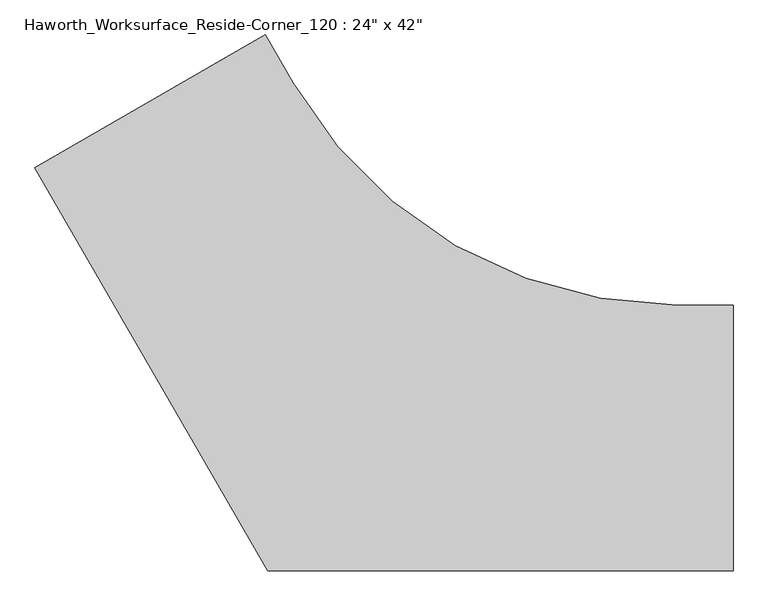
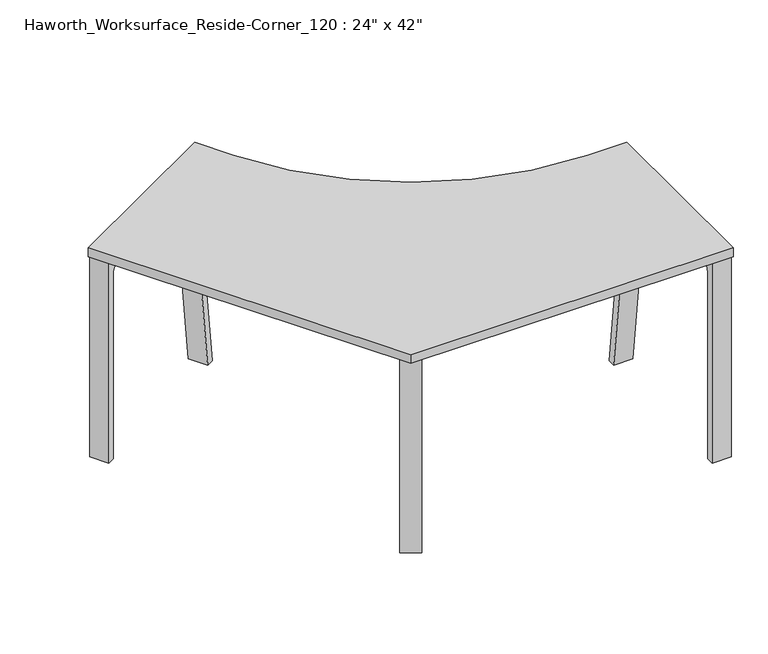
"""IFC4 building model written with IfcOpenShell, lengths in millimetres: furniture geometry."""

from ifc_helpers import new_model, si_unit, point, frame, frame_2d, origin, place, context, project, spatial, polyline, circle_curve, trimmed, segment, composite_curve, outline, extrude, source, transform, mapped, element, save


def furniture_03d68b0d(model_context):
    return source(origin(), model_context, "Body", "SweptSolid", [
        extrude(outline(composite_curve([segment(polyline([(0.0, 0.0), (-146.0500001, 0.0), (-146.0500001, 706.4375), (-120.65, 706.4375), (-120.65, 55.5625)]), True, "CONTINUOUS"), segment(trimmed(circle_curve(frame_2d((-95.25, 55.5625)), 25.4), [point((-120.65, 55.5625))], [point((-95.25, 30.1625))], True, "CARTESIAN"), True, "CONTINUOUS"), segment(polyline([(-95.25, 30.1625), (0.0, 30.1625), (0.0, 0.0)]), True, "CONTINUOUS")], self_intersect=False)), frame((-629.7286934, -139.1993766, 706.4375), z_axis=(-0.866025403784444, 0.49999999999999084, 0.0), x_axis=(0.49999999999999084, 0.866025403784444, 0.0)), (0.0, 0.0, 1.0), 63.5),
        extrude(outline(composite_curve([segment(polyline([(0.0, 0.0), (-527.05, 0.0), (-527.05, 706.4375), (-501.65, 706.4375), (-501.65, 55.5625)]), True, "CONTINUOUS"), segment(trimmed(circle_curve(frame_2d((-476.25, 55.5625)), 25.4), [point((-501.65, 55.5625))], [point((-476.25, 30.1625))], True, "CARTESIAN"), True, "CONTINUOUS"), segment(polyline([(-476.25, 30.1625), (0.0, 30.1625), (0.0, 0.0)]), True, "CONTINUOUS")], self_intersect=False)), frame((-439.2286934, 190.7563022, 706.4375), z_axis=(-0.866025403784444, 0.49999999999999084, 0.0), x_axis=(0.49999999999999084, 0.866025403784444, 0.0)), (0.0, 0.0, 1.0), 63.5),
        extrude(outline(composite_curve([segment(polyline([(-269.875, 650.875), (-269.875, 0.0), (-295.275, 0.0), (-295.275, 706.4375), (208.5353818, 706.4375), (295.275, 0.0), (269.6842504, 0.0), (189.386772, 653.9704813)]), True, "CONTINUOUS"), segment(trimmed(circle_curve(frame_2d((164.1760998, 650.875)), 25.4), [point((189.386772, 653.9704813))], [point((164.1760998, 676.275))], True, "CARTESIAN"), True, "CONTINUOUS"), segment(polyline([(164.1760998, 676.275), (-244.475, 676.275)]), True, "CONTINUOUS"), segment(trimmed(circle_curve(frame_2d((-244.475, 650.875)), 25.4), [point((-244.475, 676.275))], [point((-269.875, 650.875))], True, "CARTESIAN"), True, "CONTINUOUS")], self_intersect=False)), frame((241.3, 0.0, 0.0), z_axis=(1.0, 0.0, 0.0), x_axis=(0.0, 1.0, 0.0)), (0.0, 0.0, 1.0), 63.5),
        extrude(outline(composite_curve([segment(trimmed(circle_curve(frame_2d((-650.875, -25.4)), 25.4), [point((-650.875, 0.0))], [point((-676.275, -25.4))], True, "CARTESIAN"), True, "CONTINUOUS"), segment(polyline([(-676.275, -25.4), (-676.275, -434.0510998)]), True, "CONTINUOUS"), segment(trimmed(circle_curve(frame_2d((-650.875, -434.0510998)), 25.4), [point((-676.275, -434.0510998))], [point((-653.9704813, -459.2617721))], True, "CARTESIAN"), True, "CONTINUOUS"), segment(polyline([(-653.9704813, -459.2617721), (0.0, -539.5592504), (0.0, -565.15), (-706.4375, -478.4103818), (-706.4375, 25.4), (0.0, 25.4), (0.0, 0.0), (-650.875, 0.0)]), True, "CONTINUOUS")], self_intersect=False)), frame((-1233.4040628, 581.5457876, 0.0), z_axis=(-0.4999999999999951, 0.8660254037844415, 0.0), x_axis=(0.0, 0.0, -1.0)), (0.0, 0.0, 1.0), 63.5),
        extrude(outline(composite_curve([segment(polyline([(-1295.4, 619.0759008), (-767.4709139, 923.8759008), (-703.3412127, 812.8)]), True, "CONTINUOUS"), segment(trimmed(circle_curve(frame_2d((176.5405976, 1320.8)), 1016.0), [point((-703.3412127, 812.8))], [point((176.5405976, 304.8))], True, "CARTESIAN"), True, "CONTINUOUS"), segment(polyline([(176.5405976, 304.8), (304.8, 304.8), (304.8, -304.8), (-762.0, -304.8), (-1295.4, 619.0759008)]), True, "CONTINUOUS")], self_intersect=False)), frame((0.0, 0.0, 706.4375), z_axis=(0.0, 0.0, 1.0), x_axis=(1.0, 0.0, 0.0)), (0.0, 0.0, 1.0), 30.1625),
    ])


if __name__ == "__main__":
    model = new_model("IFC4")
    model_context = context("Model", 3, world=origin())
    ifc_project = project(units=[si_unit("LENGTHUNIT", "METRE", prefix="MILLI")], contexts=[model_context])
    site = spatial("IfcSite", under=ifc_project)
    building = spatial("IfcBuilding", under=site)
    placement = place(None, origin())
    furniture_shape = furniture_03d68b0d(model_context)
    element("IfcFurniture", 1, ObjectType="Haworth_Worksurface_Reside-Corner_120 : 24\" x 42\"", at=placement, inside=building, context=model_context, shape_type="MappedRepresentation", body=[
        mapped(furniture_shape, transform((0.0, 0.0, 0.0), x_axis=(1.0, 0.0, 0.0), y_axis=(0.0, 1.0, 0.0), z_axis=(0.0, 0.0, 1.0))),
    ])
    save(model, "model.ifc")
